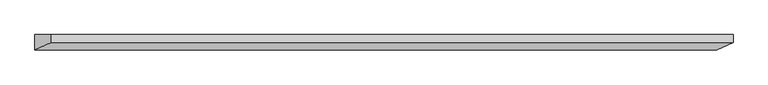
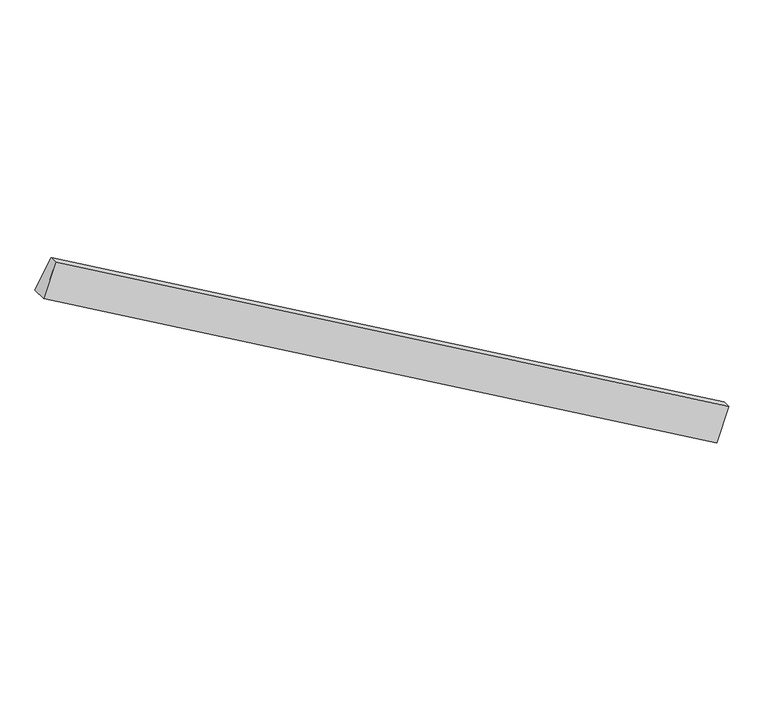
"""IFC4 building model written with IfcOpenShell, lengths in millimetres: proxy geometry."""

from ifc_helpers import new_model, si_unit, frame, origin, place, context, project, spatial, polyline, outline, extrude, source, transform, mapped, element, save


def generic_models_78aa1420(model_context):
    return source(origin(), model_context, "Body", "SweptSolid", [
        extrude(outline(polyline([(0.0, 0.0), (12.9603556, 0.0), (25.6576027, -54.9978196), (0.0, -54.9978196), (0.0, 0.0)])), frame((-1370.9243236, 1767.0461254, 76.4227448), z_axis=(-0.8660254037844383, 0.0, 0.5000000000000009), x_axis=(0.0, -1.0, 0.0)), (0.0, 0.0, 1.0), 1305.0391532),
    ])


if __name__ == "__main__":
    model = new_model("IFC4")
    model_context = context("Model", 3, world=origin())
    ifc_project = project(units=[si_unit("LENGTHUNIT", "METRE", prefix="MILLI")], contexts=[model_context])
    site = spatial("IfcSite", under=ifc_project)
    building = spatial("IfcBuilding", under=site)
    placement = place(None, origin())
    generic_models_shape = generic_models_78aa1420(model_context)
    element("IfcBuildingElementProxy", 1, Name="Generic Models", at=placement, inside=building, context=model_context, shape_type="MappedRepresentation", body=[
        mapped(generic_models_shape, transform((0.0, 0.0, 0.0), x_axis=(1.0, 0.0, 0.0), y_axis=(0.0, 1.0, 0.0), z_axis=(0.0, 0.0, 1.0))),
    ])
    save(model, "model.ifc")
